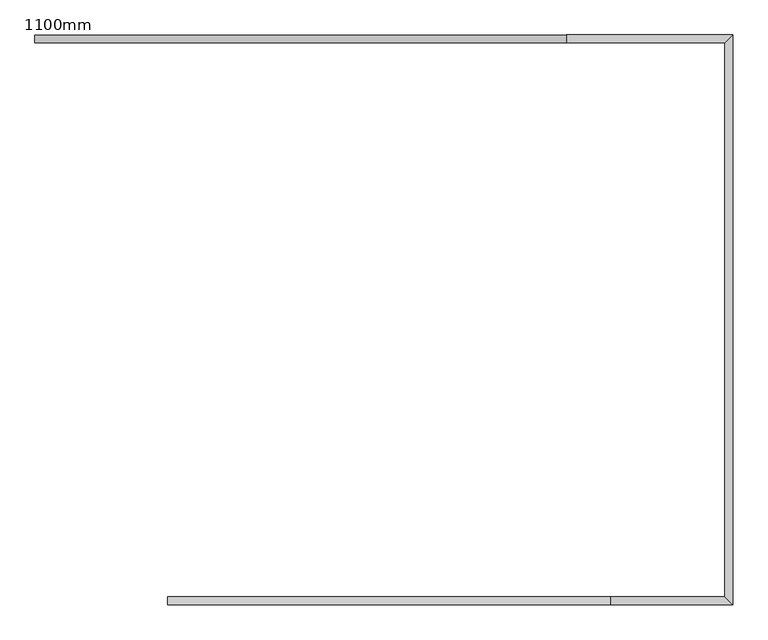
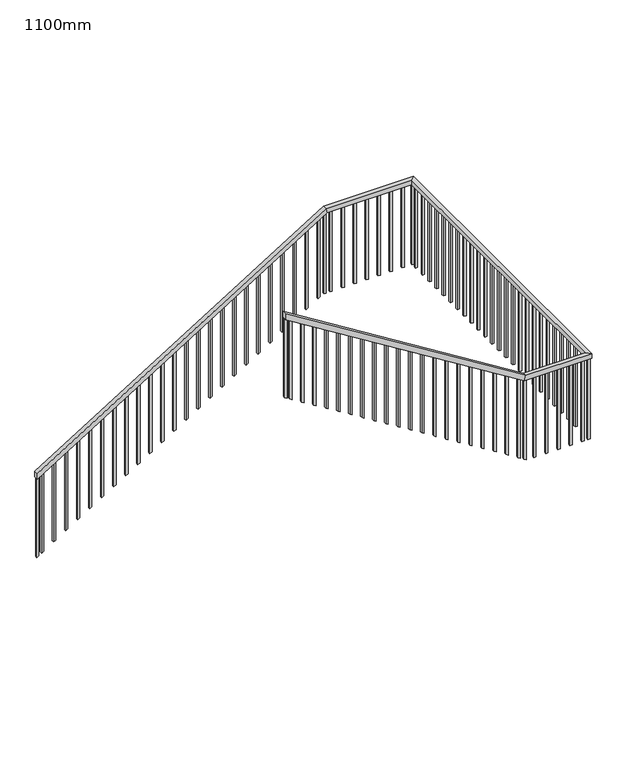
"""IFC4 building model written with IfcOpenShell, lengths in millimetres: railing geometry, 1100mm."""

from ifc_helpers import new_model, si_unit, frame, origin, place, context, project, spatial, polyline, outline, extrude, faceted_brep, source, transform, mapped, element, save


def railing_1100mm_8c8c60c1(model_context):
    return source(origin(), model_context, "Body", "SolidModel", [
        faceted_brep([(-12617.5749186, -10876.6395763, 1273.9130435), (-12617.5749186, -10826.6395763, 1273.9130435), (-12617.5749186, -10826.6395763, 1203.2813558), (-12617.5749186, -10876.6395763, 1203.2813558), (-9240.4579014, -10876.6395763, 3300.8695652), (-9257.5749186, -10876.6395763, 3360.8695652), (-9240.4579014, -10826.6395763, 3300.8695652), (-9257.5749186, -10826.6395763, 3360.8695652), (-8257.5749186, -10876.6395763, 3300.8695652), (-8257.5749186, -10876.6395763, 3360.8695652), (-8207.5749186, -10826.6395763, 3300.8695652), (-8207.5749186, -10826.6395763, 3360.8695652), (-8257.5749186, -14376.6395763, 3300.8695652), (-8257.5749186, -14376.6395763, 3360.8695652), (-8207.5749186, -14426.6395763, 3300.8695652), (-8207.5749186, -14426.6395763, 3360.8695652), (-8994.6919358, -14376.6395763, 3300.8695652), (-8977.5749186, -14376.6395763, 3360.8695652), (-8994.6919358, -14426.6395763, 3300.8695652), (-8977.5749186, -14426.6395763, 3360.8695652), (-11777.5749186, -14376.6395763, 5100.0), (-11777.5749186, -14376.6395763, 5029.3683123), (-11777.5749186, -14426.6395763, 5029.3683123), (-11777.5749186, -14426.6395763, 5100.0)], [[[0, 1, 2, 3]], [[0, 3, 4, 5]], [[3, 2, 6, 4]], [[2, 1, 7, 6]], [[1, 0, 5, 7]], [[5, 4, 8, 9]], [[4, 6, 10, 8]], [[6, 7, 11, 10]], [[7, 5, 9, 11]], [[9, 8, 12, 13]], [[8, 10, 14, 12]], [[10, 11, 15, 14]], [[11, 9, 13, 15]], [[13, 12, 16, 17]], [[12, 14, 18, 16]], [[14, 15, 19, 18]], [[15, 13, 17, 19]], [[20, 21, 22, 23]], [[17, 16, 21, 20]], [[16, 18, 22, 21]], [[18, 19, 23, 22]], [[19, 17, 20, 23]]]),
        extrude(outline(polyline([(4978.1260763, -11695.0749186), (4993.6540266, -11720.0749186), (4024.5530048, -11720.0749186), (4009.0250545, -11695.0749186), (4978.1260763, -11695.0749186)])), frame((0.0, -14414.1395763, 0.0), z_axis=(0.0, 1.0, 0.0), x_axis=(0.0, 0.0, 1.0)), (0.0, 0.0, 1.0), 25.0),
        extrude(outline(polyline([(4891.1695545, -11555.0749186), (4906.6975048, -11580.0749186), (3937.5964831, -11580.0749186), (3922.0685328, -11555.0749186), (4891.1695545, -11555.0749186)])), frame((0.0, -14414.1395763, 0.0), z_axis=(0.0, 1.0, 0.0), x_axis=(0.0, 0.0, 1.0)), (0.0, 0.0, 1.0), 25.0),
        extrude(outline(polyline([(4804.2130328, -11415.0749186), (4819.7409831, -11440.0749186), (3850.6399613, -11440.0749186), (3835.112011, -11415.0749186), (4804.2130328, -11415.0749186)])), frame((0.0, -14414.1395763, 0.0), z_axis=(0.0, 1.0, 0.0), x_axis=(0.0, 0.0, 1.0)), (0.0, 0.0, 1.0), 25.0),
        extrude(outline(polyline([(4717.2565111, -11275.0749186), (4732.7844614, -11300.0749186), (3763.6834396, -11300.0749186), (3748.1554893, -11275.0749186), (4717.2565111, -11275.0749186)])), frame((0.0, -14414.1395763, 0.0), z_axis=(0.0, 1.0, 0.0), x_axis=(0.0, 0.0, 1.0)), (0.0, 0.0, 1.0), 25.0),
        extrude(outline(polyline([(4630.2999893, -11135.0749186), (4645.8279396, -11160.0749186), (3676.7269179, -11160.0749186), (3661.1989675, -11135.0749186), (4630.2999893, -11135.0749186)])), frame((0.0, -14414.1395763, 0.0), z_axis=(0.0, 1.0, 0.0), x_axis=(0.0, 0.0, 1.0)), (0.0, 0.0, 1.0), 25.0),
        extrude(outline(polyline([(4543.3434676, -10995.0749186), (4558.8714179, -11020.0749186), (3589.7703961, -11020.0749186), (3574.2424458, -10995.0749186), (4543.3434676, -10995.0749186)])), frame((0.0, -14414.1395763, 0.0), z_axis=(0.0, 1.0, 0.0), x_axis=(0.0, 0.0, 1.0)), (0.0, 0.0, 1.0), 25.0),
        extrude(outline(polyline([(4456.3869458, -10855.0749186), (4471.9148962, -10880.0749186), (3502.8138744, -10880.0749186), (3487.2859241, -10855.0749186), (4456.3869458, -10855.0749186)])), frame((0.0, -14414.1395763, 0.0), z_axis=(0.0, 1.0, 0.0), x_axis=(0.0, 0.0, 1.0)), (0.0, 0.0, 1.0), 25.0),
        extrude(outline(polyline([(4369.4304241, -10715.0749186), (4384.9583744, -10740.0749186), (3415.8573526, -10740.0749186), (3400.3294023, -10715.0749186), (4369.4304241, -10715.0749186)])), frame((0.0, -14414.1395763, 0.0), z_axis=(0.0, 1.0, 0.0), x_axis=(0.0, 0.0, 1.0)), (0.0, 0.0, 1.0), 25.0),
        extrude(outline(polyline([(4282.4739024, -10575.0749186), (4298.0018527, -10600.0749186), (3328.9008309, -10600.0749186), (3313.3728806, -10575.0749186), (4282.4739024, -10575.0749186)])), frame((0.0, -14414.1395763, 0.0), z_axis=(0.0, 1.0, 0.0), x_axis=(0.0, 0.0, 1.0)), (0.0, 0.0, 1.0), 25.0),
        extrude(outline(polyline([(4195.5173806, -10435.0749186), (4211.0453309, -10460.0749186), (3241.9443092, -10460.0749186), (3226.4163588, -10435.0749186), (4195.5173806, -10435.0749186)])), frame((0.0, -14414.1395763, 0.0), z_axis=(0.0, 1.0, 0.0), x_axis=(0.0, 0.0, 1.0)), (0.0, 0.0, 1.0), 25.0),
        extrude(outline(polyline([(4108.5608589, -10295.0749186), (4124.0888092, -10320.0749186), (3154.9877874, -10320.0749186), (3139.4598371, -10295.0749186), (4108.5608589, -10295.0749186)])), frame((0.0, -14414.1395763, 0.0), z_axis=(0.0, 1.0, 0.0), x_axis=(0.0, 0.0, 1.0)), (0.0, 0.0, 1.0), 25.0),
        extrude(outline(polyline([(4021.6043371, -10155.0749186), (4037.1322875, -10180.0749186), (3068.0312657, -10180.0749186), (3052.5033154, -10155.0749186), (4021.6043371, -10155.0749186)])), frame((0.0, -14414.1395763, 0.0), z_axis=(0.0, 1.0, 0.0), x_axis=(0.0, 0.0, 1.0)), (0.0, 0.0, 1.0), 25.0),
        extrude(outline(polyline([(3934.6478154, -10015.0749186), (3950.1757657, -10040.0749186), (2981.0747439, -10040.0749186), (2965.5467936, -10015.0749186), (3934.6478154, -10015.0749186)])), frame((0.0, -14414.1395763, 0.0), z_axis=(0.0, 1.0, 0.0), x_axis=(0.0, 0.0, 1.0)), (0.0, 0.0, 1.0), 25.0),
        extrude(outline(polyline([(3847.6912937, -9875.0749186), (3863.219244, -9900.0749186), (2894.1182222, -9900.0749186), (2878.5902719, -9875.0749186), (3847.6912937, -9875.0749186)])), frame((0.0, -14414.1395763, 0.0), z_axis=(0.0, 1.0, 0.0), x_axis=(0.0, 0.0, 1.0)), (0.0, 0.0, 1.0), 25.0),
        extrude(outline(polyline([(3760.7347719, -9735.0749186), (3776.2627222, -9760.0749186), (2807.1617005, -9760.0749186), (2791.6337502, -9735.0749186), (3760.7347719, -9735.0749186)])), frame((0.0, -14414.1395763, 0.0), z_axis=(0.0, 1.0, 0.0), x_axis=(0.0, 0.0, 1.0)), (0.0, 0.0, 1.0), 25.0),
        extrude(outline(polyline([(3673.7782502, -9595.0749186), (3689.3062005, -9620.0749186), (2720.2051787, -9620.0749186), (2704.6772284, -9595.0749186), (3673.7782502, -9595.0749186)])), frame((0.0, -14414.1395763, 0.0), z_axis=(0.0, 1.0, 0.0), x_axis=(0.0, 0.0, 1.0)), (0.0, 0.0, 1.0), 25.0),
        extrude(outline(polyline([(3586.8217284, -9455.0749186), (3602.3496788, -9480.0749186), (2633.248657, -9480.0749186), (2617.7207067, -9455.0749186), (3586.8217284, -9455.0749186)])), frame((0.0, -14414.1395763, 0.0), z_axis=(0.0, 1.0, 0.0), x_axis=(0.0, 0.0, 1.0)), (0.0, 0.0, 1.0), 25.0),
        extrude(outline(polyline([(3499.8652067, -9315.0749186), (3515.393157, -9340.0749186), (2546.2921352, -9340.0749186), (2530.7641849, -9315.0749186), (3499.8652067, -9315.0749186)])), frame((0.0, -14414.1395763, 0.0), z_axis=(0.0, 1.0, 0.0), x_axis=(0.0, 0.0, 1.0)), (0.0, 0.0, 1.0), 25.0),
        extrude(outline(polyline([(3412.908685, -9175.0749186), (3428.4366353, -9200.0749186), (2459.3356135, -9200.0749186), (2443.8076632, -9175.0749186), (3412.908685, -9175.0749186)])), frame((0.0, -14414.1395763, 0.0), z_axis=(0.0, 1.0, 0.0), x_axis=(0.0, 0.0, 1.0)), (0.0, 0.0, 1.0), 25.0),
        extrude(outline(polyline([(3325.9521632, -9035.0749186), (3341.4801135, -9060.0749186), (2372.3790918, -9060.0749186), (2356.8511415, -9035.0749186), (3325.9521632, -9035.0749186)])), frame((0.0, -14414.1395763, 0.0), z_axis=(0.0, 1.0, 0.0), x_axis=(0.0, 0.0, 1.0)), (0.0, 0.0, 1.0), 25.0),
        extrude(outline(polyline([(-8850.0749186, -14414.1395763), (-8875.0749186, -14414.1395763), (-8875.0749186, -14389.1395763), (-8850.0749186, -14389.1395763), (-8850.0749186, -14414.1395763)])), frame((0.0, 0.0, 2307.4574396), z_axis=(0.0, 0.0, 1.0), x_axis=(1.0, 0.0, 0.0)), (0.0, 0.0, 1.0), 993.4121256),
        extrude(outline(polyline([(-8710.0749186, -14414.1395763), (-8735.0749186, -14414.1395763), (-8735.0749186, -14389.1395763), (-8710.0749186, -14389.1395763), (-8710.0749186, -14414.1395763)])), frame((0.0, 0.0, 2307.4574396), z_axis=(0.0, 0.0, 1.0), x_axis=(1.0, 0.0, 0.0)), (0.0, 0.0, 1.0), 993.4121256),
        extrude(outline(polyline([(-8570.0749186, -14414.1395763), (-8595.0749186, -14414.1395763), (-8595.0749186, -14389.1395763), (-8570.0749186, -14389.1395763), (-8570.0749186, -14414.1395763)])), frame((0.0, 0.0, 2307.4574396), z_axis=(0.0, 0.0, 1.0), x_axis=(1.0, 0.0, 0.0)), (0.0, 0.0, 1.0), 993.4121256),
        extrude(outline(polyline([(-8430.0749186, -14414.1395763), (-8455.0749186, -14414.1395763), (-8455.0749186, -14389.1395763), (-8430.0749186, -14389.1395763), (-8430.0749186, -14414.1395763)])), frame((0.0, 0.0, 2307.4574396), z_axis=(0.0, 0.0, 1.0), x_axis=(1.0, 0.0, 0.0)), (0.0, 0.0, 1.0), 993.4121256),
        extrude(outline(polyline([(-8290.0749186, -14414.1395763), (-8315.0749186, -14414.1395763), (-8315.0749186, -14389.1395763), (-8290.0749186, -14389.1395763), (-8290.0749186, -14414.1395763)])), frame((0.0, 0.0, 2307.4574396), z_axis=(0.0, 0.0, 1.0), x_axis=(1.0, 0.0, 0.0)), (0.0, 0.0, 1.0), 993.4121256),
        extrude(outline(polyline([(-8220.0749186, -14269.1395763), (-8220.0749186, -14294.1395763), (-8245.0749186, -14294.1395763), (-8245.0749186, -14269.1395763), (-8220.0749186, -14269.1395763)])), frame((0.0, 0.0, 2307.4574396), z_axis=(0.0, 0.0, 1.0), x_axis=(1.0, 0.0, 0.0)), (0.0, 0.0, 1.0), 993.4121256),
        extrude(outline(polyline([(-8220.0749186, -14129.1395763), (-8220.0749186, -14154.1395763), (-8245.0749186, -14154.1395763), (-8245.0749186, -14129.1395763), (-8220.0749186, -14129.1395763)])), frame((0.0, 0.0, 2307.4574396), z_axis=(0.0, 0.0, 1.0), x_axis=(1.0, 0.0, 0.0)), (0.0, 0.0, 1.0), 993.4121256),
        extrude(outline(polyline([(-8220.0749186, -13989.1395763), (-8220.0749186, -14014.1395763), (-8245.0749186, -14014.1395763), (-8245.0749186, -13989.1395763), (-8220.0749186, -13989.1395763)])), frame((0.0, 0.0, 2307.4574396), z_axis=(0.0, 0.0, 1.0), x_axis=(1.0, 0.0, 0.0)), (0.0, 0.0, 1.0), 993.4121256),
        extrude(outline(polyline([(-8220.0749186, -13849.1395763), (-8220.0749186, -13874.1395763), (-8245.0749186, -13874.1395763), (-8245.0749186, -13849.1395763), (-8220.0749186, -13849.1395763)])), frame((0.0, 0.0, 2307.4574396), z_axis=(0.0, 0.0, 1.0), x_axis=(1.0, 0.0, 0.0)), (0.0, 0.0, 1.0), 993.4121256),
        extrude(outline(polyline([(-8220.0749186, -13709.1395763), (-8220.0749186, -13734.1395763), (-8245.0749186, -13734.1395763), (-8245.0749186, -13709.1395763), (-8220.0749186, -13709.1395763)])), frame((0.0, 0.0, 2307.4574396), z_axis=(0.0, 0.0, 1.0), x_axis=(1.0, 0.0, 0.0)), (0.0, 0.0, 1.0), 993.4121256),
        extrude(outline(polyline([(-8220.0749186, -13569.1395763), (-8220.0749186, -13594.1395763), (-8245.0749186, -13594.1395763), (-8245.0749186, -13569.1395763), (-8220.0749186, -13569.1395763)])), frame((0.0, 0.0, 2307.4574396), z_axis=(0.0, 0.0, 1.0), x_axis=(1.0, 0.0, 0.0)), (0.0, 0.0, 1.0), 993.4121256),
        extrude(outline(polyline([(-8220.0749186, -13429.1395763), (-8220.0749186, -13454.1395763), (-8245.0749186, -13454.1395763), (-8245.0749186, -13429.1395763), (-8220.0749186, -13429.1395763)])), frame((0.0, 0.0, 2307.4574396), z_axis=(0.0, 0.0, 1.0), x_axis=(1.0, 0.0, 0.0)), (0.0, 0.0, 1.0), 993.4121256),
        extrude(outline(polyline([(-8220.0749186, -13289.1395763), (-8220.0749186, -13314.1395763), (-8245.0749186, -13314.1395763), (-8245.0749186, -13289.1395763), (-8220.0749186, -13289.1395763)])), frame((0.0, 0.0, 2307.4574396), z_axis=(0.0, 0.0, 1.0), x_axis=(1.0, 0.0, 0.0)), (0.0, 0.0, 1.0), 993.4121256),
        extrude(outline(polyline([(-8220.0749186, -13149.1395763), (-8220.0749186, -13174.1395763), (-8245.0749186, -13174.1395763), (-8245.0749186, -13149.1395763), (-8220.0749186, -13149.1395763)])), frame((0.0, 0.0, 2307.4574396), z_axis=(0.0, 0.0, 1.0), x_axis=(1.0, 0.0, 0.0)), (0.0, 0.0, 1.0), 993.4121256),
        extrude(outline(polyline([(-8220.0749186, -13009.1395763), (-8220.0749186, -13034.1395763), (-8245.0749186, -13034.1395763), (-8245.0749186, -13009.1395763), (-8220.0749186, -13009.1395763)])), frame((0.0, 0.0, 2307.4574396), z_axis=(0.0, 0.0, 1.0), x_axis=(1.0, 0.0, 0.0)), (0.0, 0.0, 1.0), 993.4121256),
        extrude(outline(polyline([(-8220.0749186, -12869.1395763), (-8220.0749186, -12894.1395763), (-8245.0749186, -12894.1395763), (-8245.0749186, -12869.1395763), (-8220.0749186, -12869.1395763)])), frame((0.0, 0.0, 2307.4574396), z_axis=(0.0, 0.0, 1.0), x_axis=(1.0, 0.0, 0.0)), (0.0, 0.0, 1.0), 993.4121256),
        extrude(outline(polyline([(-8220.0749186, -12729.1395763), (-8220.0749186, -12754.1395763), (-8245.0749186, -12754.1395763), (-8245.0749186, -12729.1395763), (-8220.0749186, -12729.1395763)])), frame((0.0, 0.0, 2307.4574396), z_axis=(0.0, 0.0, 1.0), x_axis=(1.0, 0.0, 0.0)), (0.0, 0.0, 1.0), 993.4121256),
        extrude(outline(polyline([(-8220.0749186, -12589.1395763), (-8220.0749186, -12614.1395763), (-8245.0749186, -12614.1395763), (-8245.0749186, -12589.1395763), (-8220.0749186, -12589.1395763)])), frame((0.0, 0.0, 2307.4574396), z_axis=(0.0, 0.0, 1.0), x_axis=(1.0, 0.0, 0.0)), (0.0, 0.0, 1.0), 993.4121256),
        extrude(outline(polyline([(-8220.0749186, -12449.1395763), (-8220.0749186, -12474.1395763), (-8245.0749186, -12474.1395763), (-8245.0749186, -12449.1395763), (-8220.0749186, -12449.1395763)])), frame((0.0, 0.0, 2307.4574396), z_axis=(0.0, 0.0, 1.0), x_axis=(1.0, 0.0, 0.0)), (0.0, 0.0, 1.0), 993.4121256),
        extrude(outline(polyline([(-8220.0749186, -12309.1395763), (-8220.0749186, -12334.1395763), (-8245.0749186, -12334.1395763), (-8245.0749186, -12309.1395763), (-8220.0749186, -12309.1395763)])), frame((0.0, 0.0, 2307.4574396), z_axis=(0.0, 0.0, 1.0), x_axis=(1.0, 0.0, 0.0)), (0.0, 0.0, 1.0), 993.4121256),
        extrude(outline(polyline([(-8220.0749186, -12169.1395763), (-8220.0749186, -12194.1395763), (-8245.0749186, -12194.1395763), (-8245.0749186, -12169.1395763), (-8220.0749186, -12169.1395763)])), frame((0.0, 0.0, 2307.4574396), z_axis=(0.0, 0.0, 1.0), x_axis=(1.0, 0.0, 0.0)), (0.0, 0.0, 1.0), 993.4121256),
        extrude(outline(polyline([(-8220.0749186, -12029.1395763), (-8220.0749186, -12054.1395763), (-8245.0749186, -12054.1395763), (-8245.0749186, -12029.1395763), (-8220.0749186, -12029.1395763)])), frame((0.0, 0.0, 2307.4574396), z_axis=(0.0, 0.0, 1.0), x_axis=(1.0, 0.0, 0.0)), (0.0, 0.0, 1.0), 993.4121256),
        extrude(outline(polyline([(-8220.0749186, -11889.1395763), (-8220.0749186, -11914.1395763), (-8245.0749186, -11914.1395763), (-8245.0749186, -11889.1395763), (-8220.0749186, -11889.1395763)])), frame((0.0, 0.0, 2307.4574396), z_axis=(0.0, 0.0, 1.0), x_axis=(1.0, 0.0, 0.0)), (0.0, 0.0, 1.0), 993.4121256),
        extrude(outline(polyline([(-8220.0749186, -11749.1395763), (-8220.0749186, -11774.1395763), (-8245.0749186, -11774.1395763), (-8245.0749186, -11749.1395763), (-8220.0749186, -11749.1395763)])), frame((0.0, 0.0, 2307.4574396), z_axis=(0.0, 0.0, 1.0), x_axis=(1.0, 0.0, 0.0)), (0.0, 0.0, 1.0), 993.4121256),
        extrude(outline(polyline([(-8220.0749186, -11609.1395763), (-8220.0749186, -11634.1395763), (-8245.0749186, -11634.1395763), (-8245.0749186, -11609.1395763), (-8220.0749186, -11609.1395763)])), frame((0.0, 0.0, 2307.4574396), z_axis=(0.0, 0.0, 1.0), x_axis=(1.0, 0.0, 0.0)), (0.0, 0.0, 1.0), 993.4121256),
        extrude(outline(polyline([(-8220.0749186, -11469.1395763), (-8220.0749186, -11494.1395763), (-8245.0749186, -11494.1395763), (-8245.0749186, -11469.1395763), (-8220.0749186, -11469.1395763)])), frame((0.0, 0.0, 2307.4574396), z_axis=(0.0, 0.0, 1.0), x_axis=(1.0, 0.0, 0.0)), (0.0, 0.0, 1.0), 993.4121256),
        extrude(outline(polyline([(-8220.0749186, -11329.1395763), (-8220.0749186, -11354.1395763), (-8245.0749186, -11354.1395763), (-8245.0749186, -11329.1395763), (-8220.0749186, -11329.1395763)])), frame((0.0, 0.0, 2307.4574396), z_axis=(0.0, 0.0, 1.0), x_axis=(1.0, 0.0, 0.0)), (0.0, 0.0, 1.0), 993.4121256),
        extrude(outline(polyline([(-8220.0749186, -11189.1395763), (-8220.0749186, -11214.1395763), (-8245.0749186, -11214.1395763), (-8245.0749186, -11189.1395763), (-8220.0749186, -11189.1395763)])), frame((0.0, 0.0, 2307.4574396), z_axis=(0.0, 0.0, 1.0), x_axis=(1.0, 0.0, 0.0)), (0.0, 0.0, 1.0), 993.4121256),
        extrude(outline(polyline([(-8220.0749186, -11049.1395763), (-8220.0749186, -11074.1395763), (-8245.0749186, -11074.1395763), (-8245.0749186, -11049.1395763), (-8220.0749186, -11049.1395763)])), frame((0.0, 0.0, 2307.4574396), z_axis=(0.0, 0.0, 1.0), x_axis=(1.0, 0.0, 0.0)), (0.0, 0.0, 1.0), 993.4121256),
        extrude(outline(polyline([(-8220.0749186, -10909.1395763), (-8220.0749186, -10934.1395763), (-8245.0749186, -10934.1395763), (-8245.0749186, -10909.1395763), (-8220.0749186, -10909.1395763)])), frame((0.0, 0.0, 2307.4574396), z_axis=(0.0, 0.0, 1.0), x_axis=(1.0, 0.0, 0.0)), (0.0, 0.0, 1.0), 993.4121256),
        extrude(outline(polyline([(-8360.0749186, -10839.1395763), (-8335.0749186, -10839.1395763), (-8335.0749186, -10864.1395763), (-8360.0749186, -10864.1395763), (-8360.0749186, -10839.1395763)])), frame((0.0, 0.0, 2307.4574396), z_axis=(0.0, 0.0, 1.0), x_axis=(1.0, 0.0, 0.0)), (0.0, 0.0, 1.0), 993.4121256),
        extrude(outline(polyline([(-8500.0749186, -10839.1395763), (-8475.0749186, -10839.1395763), (-8475.0749186, -10864.1395763), (-8500.0749186, -10864.1395763), (-8500.0749186, -10839.1395763)])), frame((0.0, 0.0, 2307.4574396), z_axis=(0.0, 0.0, 1.0), x_axis=(1.0, 0.0, 0.0)), (0.0, 0.0, 1.0), 993.4121256),
        extrude(outline(polyline([(-8640.0749186, -10839.1395763), (-8615.0749186, -10839.1395763), (-8615.0749186, -10864.1395763), (-8640.0749186, -10864.1395763), (-8640.0749186, -10839.1395763)])), frame((0.0, 0.0, 2307.4574396), z_axis=(0.0, 0.0, 1.0), x_axis=(1.0, 0.0, 0.0)), (0.0, 0.0, 1.0), 993.4121256),
        extrude(outline(polyline([(-8780.0749186, -10839.1395763), (-8755.0749186, -10839.1395763), (-8755.0749186, -10864.1395763), (-8780.0749186, -10864.1395763), (-8780.0749186, -10839.1395763)])), frame((0.0, 0.0, 2307.4574396), z_axis=(0.0, 0.0, 1.0), x_axis=(1.0, 0.0, 0.0)), (0.0, 0.0, 1.0), 993.4121256),
        extrude(outline(polyline([(-8920.0749186, -10839.1395763), (-8895.0749186, -10839.1395763), (-8895.0749186, -10864.1395763), (-8920.0749186, -10864.1395763), (-8920.0749186, -10839.1395763)])), frame((0.0, 0.0, 2307.4574396), z_axis=(0.0, 0.0, 1.0), x_axis=(1.0, 0.0, 0.0)), (0.0, 0.0, 1.0), 993.4121256),
        extrude(outline(polyline([(-9060.0749186, -10839.1395763), (-9035.0749186, -10839.1395763), (-9035.0749186, -10864.1395763), (-9060.0749186, -10864.1395763), (-9060.0749186, -10839.1395763)])), frame((0.0, 0.0, 2307.4574396), z_axis=(0.0, 0.0, 1.0), x_axis=(1.0, 0.0, 0.0)), (0.0, 0.0, 1.0), 993.4121256),
        extrude(outline(polyline([(-9200.0749186, -10839.1395763), (-9175.0749186, -10839.1395763), (-9175.0749186, -10864.1395763), (-9200.0749186, -10864.1395763), (-9200.0749186, -10839.1395763)])), frame((0.0, 0.0, 2307.4574396), z_axis=(0.0, 0.0, 1.0), x_axis=(1.0, 0.0, 0.0)), (0.0, 0.0, 1.0), 993.4121256),
        extrude(outline(polyline([(2269.8946197, -9340.0749186), (2285.42257, -9315.0749186), (3254.5235918, -9315.0749186), (3238.9956415, -9340.0749186), (2269.8946197, -9340.0749186)])), frame((0.0, -10864.1395763, 0.0), z_axis=(0.0, 1.0, 0.0), x_axis=(0.0, 0.0, 1.0)), (0.0, 0.0, 1.0), 25.0),
        extrude(outline(polyline([(2182.938098, -9480.0749186), (2198.4660483, -9455.0749186), (3167.5670701, -9455.0749186), (3152.0391198, -9480.0749186), (2182.938098, -9480.0749186)])), frame((0.0, -10864.1395763, 0.0), z_axis=(0.0, 1.0, 0.0), x_axis=(0.0, 0.0, 1.0)), (0.0, 0.0, 1.0), 25.0),
        extrude(outline(polyline([(2095.9815762, -9620.0749186), (2111.5095265, -9595.0749186), (3080.6105483, -9595.0749186), (3065.082598, -9620.0749186), (2095.9815762, -9620.0749186)])), frame((0.0, -10864.1395763, 0.0), z_axis=(0.0, 1.0, 0.0), x_axis=(0.0, 0.0, 1.0)), (0.0, 0.0, 1.0), 25.0),
        extrude(outline(polyline([(2009.0250545, -9760.0749186), (2024.5530048, -9735.0749186), (2993.6540266, -9735.0749186), (2978.1260763, -9760.0749186), (2009.0250545, -9760.0749186)])), frame((0.0, -10864.1395763, 0.0), z_axis=(0.0, 1.0, 0.0), x_axis=(0.0, 0.0, 1.0)), (0.0, 0.0, 1.0), 25.0),
        extrude(outline(polyline([(1922.0685328, -9900.0749186), (1937.5964831, -9875.0749186), (2906.6975048, -9875.0749186), (2891.1695545, -9900.0749186), (1922.0685328, -9900.0749186)])), frame((0.0, -10864.1395763, 0.0), z_axis=(0.0, 1.0, 0.0), x_axis=(0.0, 0.0, 1.0)), (0.0, 0.0, 1.0), 25.0),
        extrude(outline(polyline([(1835.112011, -10040.0749186), (1850.6399613, -10015.0749186), (2819.7409831, -10015.0749186), (2804.2130328, -10040.0749186), (1835.112011, -10040.0749186)])), frame((0.0, -10864.1395763, 0.0), z_axis=(0.0, 1.0, 0.0), x_axis=(0.0, 0.0, 1.0)), (0.0, 0.0, 1.0), 25.0),
        extrude(outline(polyline([(1748.1554893, -10180.0749186), (1763.6834396, -10155.0749186), (2732.7844614, -10155.0749186), (2717.2565111, -10180.0749186), (1748.1554893, -10180.0749186)])), frame((0.0, -10864.1395763, 0.0), z_axis=(0.0, 1.0, 0.0), x_axis=(0.0, 0.0, 1.0)), (0.0, 0.0, 1.0), 25.0),
        extrude(outline(polyline([(1661.1989675, -10320.0749186), (1676.7269179, -10295.0749186), (2645.8279396, -10295.0749186), (2630.2999893, -10320.0749186), (1661.1989675, -10320.0749186)])), frame((0.0, -10864.1395763, 0.0), z_axis=(0.0, 1.0, 0.0), x_axis=(0.0, 0.0, 1.0)), (0.0, 0.0, 1.0), 25.0),
        extrude(outline(polyline([(1574.2424458, -10460.0749186), (1589.7703961, -10435.0749186), (2558.8714179, -10435.0749186), (2543.3434676, -10460.0749186), (1574.2424458, -10460.0749186)])), frame((0.0, -10864.1395763, 0.0), z_axis=(0.0, 1.0, 0.0), x_axis=(0.0, 0.0, 1.0)), (0.0, 0.0, 1.0), 25.0),
        extrude(outline(polyline([(1487.2859241, -10600.0749186), (1502.8138744, -10575.0749186), (2471.9148962, -10575.0749186), (2456.3869458, -10600.0749186), (1487.2859241, -10600.0749186)])), frame((0.0, -10864.1395763, 0.0), z_axis=(0.0, 1.0, 0.0), x_axis=(0.0, 0.0, 1.0)), (0.0, 0.0, 1.0), 25.0),
        extrude(outline(polyline([(1400.3294023, -10740.0749186), (1415.8573526, -10715.0749186), (2384.9583744, -10715.0749186), (2369.4304241, -10740.0749186), (1400.3294023, -10740.0749186)])), frame((0.0, -10864.1395763, 0.0), z_axis=(0.0, 1.0, 0.0), x_axis=(0.0, 0.0, 1.0)), (0.0, 0.0, 1.0), 25.0),
        extrude(outline(polyline([(1313.3728806, -10880.0749186), (1328.9008309, -10855.0749186), (2298.0018527, -10855.0749186), (2282.4739024, -10880.0749186), (1313.3728806, -10880.0749186)])), frame((0.0, -10864.1395763, 0.0), z_axis=(0.0, 1.0, 0.0), x_axis=(0.0, 0.0, 1.0)), (0.0, 0.0, 1.0), 25.0),
        extrude(outline(polyline([(1226.4163588, -11020.0749186), (1241.9443092, -10995.0749186), (2211.0453309, -10995.0749186), (2195.5173806, -11020.0749186), (1226.4163588, -11020.0749186)])), frame((0.0, -10864.1395763, 0.0), z_axis=(0.0, 1.0, 0.0), x_axis=(0.0, 0.0, 1.0)), (0.0, 0.0, 1.0), 25.0),
        extrude(outline(polyline([(1139.4598371, -11160.0749186), (1154.9877874, -11135.0749186), (2124.0888092, -11135.0749186), (2108.5608589, -11160.0749186), (1139.4598371, -11160.0749186)])), frame((0.0, -10864.1395763, 0.0), z_axis=(0.0, 1.0, 0.0), x_axis=(0.0, 0.0, 1.0)), (0.0, 0.0, 1.0), 25.0),
        extrude(outline(polyline([(1052.5033154, -11300.0749186), (1068.0312657, -11275.0749186), (2037.1322875, -11275.0749186), (2021.6043371, -11300.0749186), (1052.5033154, -11300.0749186)])), frame((0.0, -10864.1395763, 0.0), z_axis=(0.0, 1.0, 0.0), x_axis=(0.0, 0.0, 1.0)), (0.0, 0.0, 1.0), 25.0),
        extrude(outline(polyline([(965.5467936, -11440.0749186), (981.0747439, -11415.0749186), (1950.1757657, -11415.0749186), (1934.6478154, -11440.0749186), (965.5467936, -11440.0749186)])), frame((0.0, -10864.1395763, 0.0), z_axis=(0.0, 1.0, 0.0), x_axis=(0.0, 0.0, 1.0)), (0.0, 0.0, 1.0), 25.0),
        extrude(outline(polyline([(878.5902719, -11580.0749186), (894.1182222, -11555.0749186), (1863.219244, -11555.0749186), (1847.6912937, -11580.0749186), (878.5902719, -11580.0749186)])), frame((0.0, -10864.1395763, 0.0), z_axis=(0.0, 1.0, 0.0), x_axis=(0.0, 0.0, 1.0)), (0.0, 0.0, 1.0), 25.0),
        extrude(outline(polyline([(791.6337502, -11720.0749186), (807.1617005, -11695.0749186), (1776.2627222, -11695.0749186), (1760.7347719, -11720.0749186), (791.6337502, -11720.0749186)])), frame((0.0, -10864.1395763, 0.0), z_axis=(0.0, 1.0, 0.0), x_axis=(0.0, 0.0, 1.0)), (0.0, 0.0, 1.0), 25.0),
        extrude(outline(polyline([(704.6772284, -11860.0749186), (720.2051787, -11835.0749186), (1689.3062005, -11835.0749186), (1673.7782502, -11860.0749186), (704.6772284, -11860.0749186)])), frame((0.0, -10864.1395763, 0.0), z_axis=(0.0, 1.0, 0.0), x_axis=(0.0, 0.0, 1.0)), (0.0, 0.0, 1.0), 25.0),
        extrude(outline(polyline([(617.7207067, -12000.0749186), (633.248657, -11975.0749186), (1602.3496788, -11975.0749186), (1586.8217284, -12000.0749186), (617.7207067, -12000.0749186)])), frame((0.0, -10864.1395763, 0.0), z_axis=(0.0, 1.0, 0.0), x_axis=(0.0, 0.0, 1.0)), (0.0, 0.0, 1.0), 25.0),
        extrude(outline(polyline([(530.7641849, -12140.0749186), (546.2921352, -12115.0749186), (1515.393157, -12115.0749186), (1499.8652067, -12140.0749186), (530.7641849, -12140.0749186)])), frame((0.0, -10864.1395763, 0.0), z_axis=(0.0, 1.0, 0.0), x_axis=(0.0, 0.0, 1.0)), (0.0, 0.0, 1.0), 25.0),
        extrude(outline(polyline([(443.8076632, -12280.0749186), (459.3356135, -12255.0749186), (1428.4366353, -12255.0749186), (1412.908685, -12280.0749186), (443.8076632, -12280.0749186)])), frame((0.0, -10864.1395763, 0.0), z_axis=(0.0, 1.0, 0.0), x_axis=(0.0, 0.0, 1.0)), (0.0, 0.0, 1.0), 25.0),
        extrude(outline(polyline([(356.8511415, -12420.0749186), (372.3790918, -12395.0749186), (1341.4801135, -12395.0749186), (1325.9521632, -12420.0749186), (356.8511415, -12420.0749186)])), frame((0.0, -10864.1395763, 0.0), z_axis=(0.0, 1.0, 0.0), x_axis=(0.0, 0.0, 1.0)), (0.0, 0.0, 1.0), 25.0),
        extrude(outline(polyline([(269.8946197, -12560.0749186), (285.42257, -12535.0749186), (1254.5235918, -12535.0749186), (1238.9956415, -12560.0749186), (269.8946197, -12560.0749186)])), frame((0.0, -10864.1395763, 0.0), z_axis=(0.0, 1.0, 0.0), x_axis=(0.0, 0.0, 1.0)), (0.0, 0.0, 1.0), 25.0),
        extrude(outline(polyline([(3300.8695652, -8965.0749186), (3300.8695652, -8990.0749186), (2328.9008309, -8990.0749186), (2313.3728806, -8965.0749186), (3300.8695652, -8965.0749186)])), frame((0.0, -14414.1395763, 0.0), z_axis=(0.0, 1.0, 0.0), x_axis=(0.0, 0.0, 1.0)), (0.0, 0.0, 1.0), 25.0),
        extrude(outline(polyline([(-8220.0749186, -14389.1395763), (-8220.0749186, -14414.1395763), (-8245.0749186, -14414.1395763), (-8245.0749186, -14389.1395763), (-8220.0749186, -14389.1395763)])), frame((0.0, 0.0, 2307.4574396), z_axis=(0.0, 0.0, 1.0), x_axis=(1.0, 0.0, 0.0)), (0.0, 0.0, 1.0), 993.4121256),
        extrude(outline(polyline([(-8245.0749186, -10839.1395763), (-8220.0749186, -10839.1395763), (-8220.0749186, -10864.1395763), (-8245.0749186, -10864.1395763), (-8245.0749186, -10839.1395763)])), frame((0.0, 0.0, 2307.4574396), z_axis=(0.0, 0.0, 1.0), x_axis=(1.0, 0.0, 0.0)), (0.0, 0.0, 1.0), 993.4121256),
        extrude(outline(polyline([(2307.4574396, -9270.0749186), (2307.4574396, -9245.0749186), (3298.0018527, -9245.0749186), (3282.4739024, -9270.0749186), (2307.4574396, -9270.0749186)])), frame((0.0, -10864.1395763, 0.0), z_axis=(0.0, 1.0, 0.0), x_axis=(0.0, 0.0, 1.0)), (0.0, 0.0, 1.0), 25.0),
        extrude(outline(polyline([(5013.840362, -11752.5749186), (5029.3683123, -11777.5749186), (4060.2672905, -11777.5749186), (4044.7393402, -11752.5749186), (5013.840362, -11752.5749186)])), frame((0.0, -14414.1395763, 0.0), z_axis=(0.0, 1.0, 0.0), x_axis=(0.0, 0.0, 1.0)), (0.0, 0.0, 1.0), 25.0),
        extrude(outline(polyline([(234.180334, -12617.5749186), (249.7082843, -12592.5749186), (1218.8093061, -12592.5749186), (1203.2813558, -12617.5749186), (234.180334, -12617.5749186)])), frame((0.0, -10864.1395763, 0.0), z_axis=(0.0, 1.0, 0.0), x_axis=(0.0, 0.0, 1.0)), (0.0, 0.0, 1.0), 25.0),
    ])


if __name__ == "__main__":
    model = new_model("IFC4")
    model_context = context("Model", 3, world=origin())
    ifc_project = project(units=[si_unit("LENGTHUNIT", "METRE", prefix="MILLI")], contexts=[model_context])
    site = spatial("IfcSite", under=ifc_project)
    building = spatial("IfcBuilding", under=site)
    placement = place(None, origin())
    railing_1100mm_shape = railing_1100mm_8c8c60c1(model_context)
    element("IfcRailing", 1, ObjectType="1100mm", at=placement, inside=building, context=model_context, shape_type="MappedRepresentation", body=[
        mapped(railing_1100mm_shape, transform((0.0, 0.0, 0.0), x_axis=(1.0, 0.0, 0.0), y_axis=(0.0, 1.0, 0.0), z_axis=(0.0, 0.0, 1.0))),
    ])
    save(model, "model.ifc")
